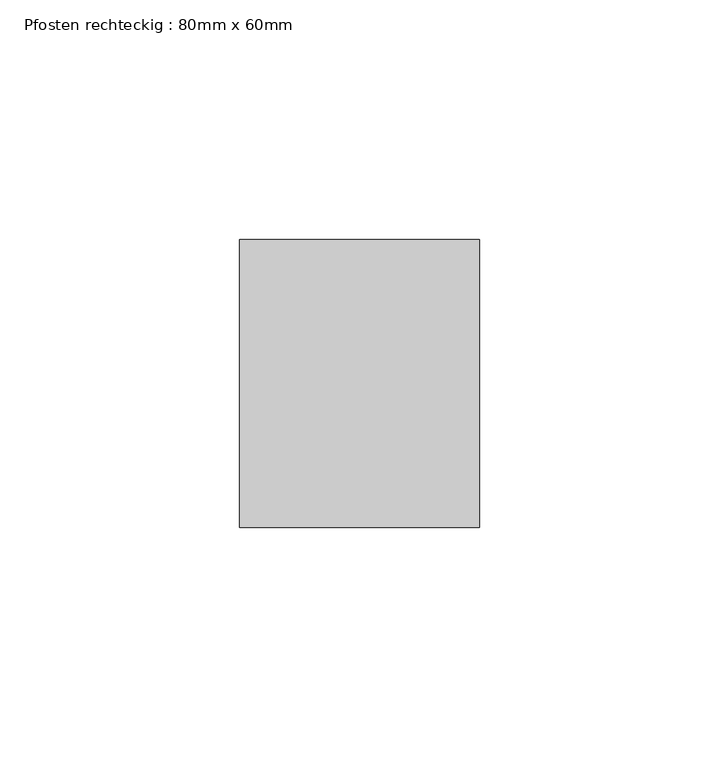
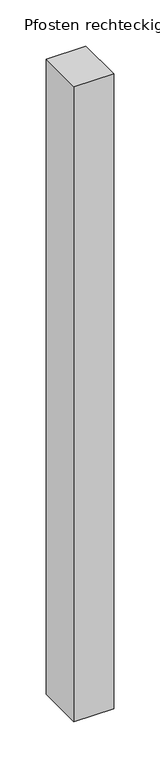
"""IFC4 building model written with IfcOpenShell, lengths in millimetres: member geometry, Pfosten rechteckig : 80mm x 60mm."""

from ifc_helpers import new_model, si_unit, frame, origin, place, context, project, spatial, polyline, outline, extrude, source, transform, mapped, element, save


def pfosten_rechteckig_80mm_x_60mm_6b84e4b8(model_context):
    return source(origin(), model_context, "Body", "SweptSolid", [
        extrude(outline(polyline([(0.0, 30.0), (0.0, -30.0), (-50.0, -30.0), (-50.0, 30.0), (0.0, 30.0)])), frame((0.0, 0.0, -841.6666667), z_axis=(0.0, 0.0, 1.0), x_axis=(1.0, 0.0, 0.0)), (0.0, 0.0, 1.0), 841.6666667),
    ])


if __name__ == "__main__":
    model = new_model("IFC4")
    model_context = context("Model", 3, world=origin())
    ifc_project = project(units=[si_unit("LENGTHUNIT", "METRE", prefix="MILLI")], contexts=[model_context])
    site = spatial("IfcSite", under=ifc_project)
    building = spatial("IfcBuilding", under=site)
    placement = place(None, origin())
    pfosten_rechteckig_80mm_x_60mm_shape = pfosten_rechteckig_80mm_x_60mm_6b84e4b8(model_context)
    element("IfcMember", 1, ObjectType="Pfosten rechteckig : 80mm x 60mm", at=placement, inside=building, context=model_context, shape_type="MappedRepresentation", body=[
        mapped(pfosten_rechteckig_80mm_x_60mm_shape, transform((0.0, 0.0, 0.0), x_axis=(1.0, 0.0, 0.0), y_axis=(0.0, 1.0, 0.0), z_axis=(0.0, 0.0, 1.0))),
    ])
    save(model, "model.ifc")
